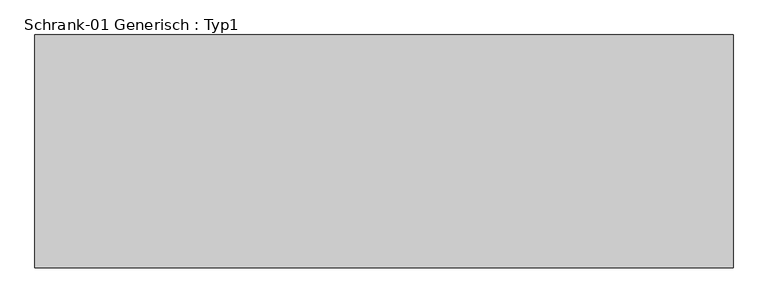
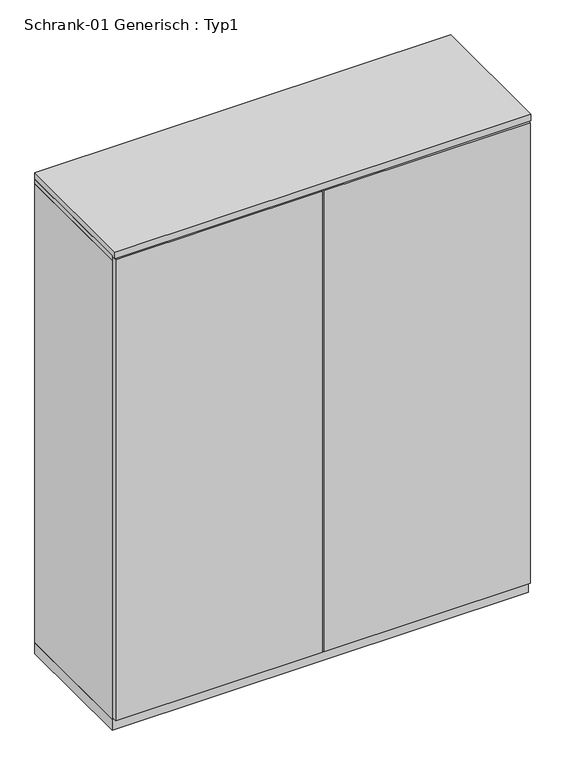
"""IFC4 building model written with IfcOpenShell, lengths in millimetres: furniture geometry, Schrank-01 Generisch : Typ1."""

import ifcopenshell
import ifcopenshell.guid

model = None  # the IFC model being written
_history = None  # IfcOwnerHistory: only IFC2X3 demands one
_inside = {}  # id of a spatial element -> (the spatial element, [elements in it])
_under = {}  # id of a project, library or spatial element -> (it, [spatial elements below it])
_declared = {}  # id of a project -> (the project, [libraries it declares])
_typed = {}  # id of a type object -> (the type object, [elements of that type])
_made_of = {}  # id of a material, layer set ... -> (it, [elements and type objects made of it])


def new_model(schema):
    """Start an empty IFC model of exactly this schema.

    Asked for "IFC4X3", IfcOpenShell would pick the latest addendum, in which some entities
    have other attributes; the version numbers below select the first issue.
    IFC2X3 requires an IfcOwnerHistory on every rooted entity: one is made here for all.
    """
    global model, _history
    if schema == "IFC4X3":
        model = ifcopenshell.file(schema_version=(4, 3, 0, 0))
    else:
        model = ifcopenshell.file(schema=schema)
    _inside.clear()
    _under.clear()
    _declared.clear()
    _typed.clear()
    _made_of.clear()
    _history = None
    if model.schema == "IFC2X3":
        org = make("IfcOrganization", Name="unknown")
        user = make(
            "IfcPersonAndOrganization",
            ThePerson=make("IfcPerson", FamilyName="unknown"),
            TheOrganization=org,
        )
        app = make(
            "IfcApplication",
            ApplicationDeveloper=org,
            Version="unknown",
            ApplicationFullName="unknown",
            ApplicationIdentifier="unknown",
        )
        _history = make(
            "IfcOwnerHistory",
            OwningUser=user,
            OwningApplication=app,
            ChangeAction="ADDED",
            CreationDate=0,
        )
    return model


def make(cls, **values):
    """One entity of the class cls with the attributes given. An attribute that is None is left unset."""
    return model.create_entity(
        cls, **{name: value for name, value in values.items() if value is not None}
    )


def rooted(cls, **values):
    """An entity with a GlobalId (a new one), such as an element, a storey or a relation."""
    return make(cls, GlobalId=ifcopenshell.guid.new(), OwnerHistory=_history, **values)


def si_unit(unit_type, name, prefix=None):
    """IfcSIUnit, for example si_unit("LENGTHUNIT", "METRE", prefix="MILLI")."""
    return make("IfcSIUnit", UnitType=unit_type, Prefix=prefix, Name=name)


def assignment(units):
    """IfcUnitAssignment: the units of a project."""
    return None if units is None else make("IfcUnitAssignment", Units=units)


def point(xyz):
    """IfcCartesianPoint."""
    return None if xyz is None else make("IfcCartesianPoint", Coordinates=xyz)


def direction(xyz):
    """IfcDirection."""
    return None if xyz is None else make("IfcDirection", DirectionRatios=xyz)


def frame(location, z_axis=None, x_axis=None):
    """IfcAxis2Placement3D, a coordinate frame: its origin and axes. An axis left out is left unset."""
    return make(
        "IfcAxis2Placement3D",
        Location=point(location),
        Axis=direction(z_axis),
        RefDirection=direction(x_axis),
    )


def origin():
    """The frame at (0, 0, 0) with its axes left unset."""
    return frame((0.0, 0.0, 0.0))


def origin_with_axes():
    """The frame at (0, 0, 0) with the z axis (0, 0, 1) and the x axis (1, 0, 0) written out."""
    return frame((0.0, 0.0, 0.0), z_axis=(0.0, 0.0, 1.0), x_axis=(1.0, 0.0, 0.0))


def place(relative_to, where):
    """IfcLocalPlacement: puts the frame where relative to a parent placement (None: the world)."""
    return make(
        "IfcLocalPlacement", PlacementRelTo=relative_to, RelativePlacement=where
    )


def context(
    kind, dimensions, precision=None, world=None, true_north=None, identifier=None
):
    """IfcGeometricRepresentationContext, for example the 3D "Model" context."""
    return make(
        "IfcGeometricRepresentationContext",
        ContextIdentifier=identifier,
        ContextType=kind,
        CoordinateSpaceDimension=dimensions,
        Precision=precision,
        WorldCoordinateSystem=world,
        TrueNorth=true_north,
    )


def project(units=None, contexts=None):
    """IfcProject with its units and contexts."""
    return rooted(
        "IfcProject",
        Name="project",
        RepresentationContexts=contexts,
        UnitsInContext=assignment(units),
    )


def spatial(cls, under=None, at=None, **own):
    """A site, building, storey or space (cls), placed at a placement, below another one or the project."""
    s = rooted(cls, ObjectPlacement=at, **own)
    if under is not None:
        _under.setdefault(under.id(), (under, []))[1].append(s)
    return s


def polyline(points):
    """IfcPolyline through the points."""
    return make("IfcPolyline", Points=[point(p) for p in points])


def outline(outer, holes=None, kind="AREA"):
    """IfcArbitraryClosedProfileDef: a profile drawn as a closed curve; with holes, ...WithVoids."""
    if holes is None:
        return make("IfcArbitraryClosedProfileDef", ProfileType=kind, OuterCurve=outer)
    return make(
        "IfcArbitraryProfileDefWithVoids",
        ProfileType=kind,
        OuterCurve=outer,
        InnerCurves=holes,
    )


def extrude(swept, where, along, depth):
    """IfcExtrudedAreaSolid: the profile swept, set in the frame where, extruded along a direction by depth."""
    return make(
        "IfcExtrudedAreaSolid",
        SweptArea=swept,
        Position=where,
        ExtrudedDirection=direction(along),
        Depth=depth,
    )


def shape(context_of_items, identifier, shape_type, items):
    """IfcShapeRepresentation: the items that make up one representation, for example the "Body"."""
    return make(
        "IfcShapeRepresentation",
        ContextOfItems=context_of_items,
        RepresentationIdentifier=identifier,
        RepresentationType=shape_type,
        Items=items,
    )


def source(mapping_origin, context_of_items, identifier, shape_type, items):
    """IfcRepresentationMap: a shape defined once, which mapped items show again and again."""
    return make(
        "IfcRepresentationMap",
        MappingOrigin=mapping_origin,
        MappedRepresentation=shape(context_of_items, identifier, shape_type, items),
    )


def transform(
    local_origin,
    x_axis=None,
    y_axis=None,
    z_axis=None,
    scale=None,
    scale2=None,
    scale3=None,
    uniform=True,
):
    """IfcCartesianTransformationOperator3D, or its non-uniform kind. x_axis, y_axis, z_axis: its Axis1, 2, 3."""
    if uniform:
        return make(
            "IfcCartesianTransformationOperator3D",
            Axis1=direction(x_axis),
            Axis2=direction(y_axis),
            LocalOrigin=point(local_origin),
            Scale=scale,
            Axis3=direction(z_axis),
        )
    return make(
        "IfcCartesianTransformationOperator3DnonUniform",
        Axis1=direction(x_axis),
        Axis2=direction(y_axis),
        LocalOrigin=point(local_origin),
        Scale=scale,
        Axis3=direction(z_axis),
        Scale2=scale2,
        Scale3=scale3,
    )


def mapped(mapping_source, mapping_target):
    """IfcMappedItem: shows the shape of a source again, moved by a transform."""
    return make(
        "IfcMappedItem", MappingSource=mapping_source, MappingTarget=mapping_target
    )


def made_of(thing, what):
    """Note that an element or type object is made of a material, layer set ...; save() writes the relation."""
    if what is not None:
        _made_of.setdefault(what.id(), (what, []))[1].append(thing)
    return thing


def element(
    cls,
    number,
    at=None,
    inside=None,
    cuts=None,
    type_object=None,
    material=None,
    context=None,
    identifier="Body",
    shape_type=None,
    held_by="IfcProductDefinitionShape",
    body=None,
    shapes=None,
    **own,
):
    """One element of the class cls, such as IfcWall. Its Tag is "e" and its number.

    at: its placement. inside: the storey or other place that contains it. cuts: it is an
    opening in that element (IfcRelVoidsElement). A single representation is given by context,
    identifier, shape_type and body (its items); several are given by shapes. held_by: the class
    of the entity that holds the representations. save() writes the other relations.
    """
    e = rooted(cls, Tag="e%d" % number, ObjectPlacement=at, **own)
    if body is not None:
        shapes = [shape(context, identifier, shape_type, body)]
    if shapes is not None:
        e.Representation = make(held_by, Representations=shapes)
    if inside is not None:
        _inside.setdefault(inside.id(), (inside, []))[1].append(e)
    if cuts is not None:
        rooted(
            "IfcRelVoidsElement", RelatingBuildingElement=cuts, RelatedOpeningElement=e
        )
    if type_object is not None:
        _typed.setdefault(type_object.id(), (type_object, []))[1].append(e)
    return made_of(e, material)


def aggregate(whole, parts):
    """IfcRelAggregates: a whole, such as a stair, and the parts it consists of."""
    return rooted("IfcRelAggregates", RelatingObject=whole, RelatedObjects=parts)


def save(model, path):
    """Write the relations noted so far, then the file.

    IfcRelAggregates (storeys below a building ...), IfcRelContainedInSpatialStructure (elements
    in a storey), IfcRelDefinesByType, IfcRelAssociatesMaterial and IfcRelDeclares: one each for
    every whole, place, type object, material and project.
    """
    for whole, parts in _under.values():
        aggregate(whole, parts)
    for where, things in _inside.values():
        rooted(
            "IfcRelContainedInSpatialStructure",
            RelatedElements=things,
            RelatingStructure=where,
        )
    for kind, things in _typed.values():
        rooted("IfcRelDefinesByType", RelatedObjects=things, RelatingType=kind)
    for what, things in _made_of.values():
        rooted("IfcRelAssociatesMaterial", RelatedObjects=things, RelatingMaterial=what)
    for by, libraries in _declared.values():
        rooted("IfcRelDeclares", RelatingContext=by, RelatedDefinitions=libraries)
    model.write(path)


def schrank_01_generisch_typ1_06658475(model_context):
    return source(origin(), model_context, "Body", "SweptSolid", [
        extrude(outline(polyline([(897.0, -278.0), (897.0, -300.0), (3.0, -300.0), (3.0, -278.0), (897.0, -278.0)])), frame((0.0, 0.0, 56.0), z_axis=(0.0, 0.0, 1.0), x_axis=(1.0, 0.0, 0.0)), (0.0, 0.0, 1.0), 2108.0),
        extrude(outline(polyline([(880.0, 300.0), (880.0, 290.0), (20.0, 290.0), (20.0, 300.0), (880.0, 300.0)])), frame((0.0, 0.0, 50.0), z_axis=(0.0, 0.0, 1.0), x_axis=(1.0, 0.0, 0.0)), (0.0, 0.0, 1.0), 2100.0),
        extrude(outline(polyline([(900.0, 300.0), (900.0, -278.0), (0.0, -278.0), (0.0, 300.0), (900.0, 300.0)])), frame((0.0, 0.0, 2150.0), z_axis=(0.0, 0.0, 1.0), x_axis=(1.0, 0.0, 0.0)), (0.0, 0.0, 1.0), 20.0),
        extrude(outline(polyline([(880.0, 290.0), (880.0, -278.0), (20.0, -278.0), (20.0, 290.0), (880.0, 290.0)])), frame((0.0, 0.0, 50.0), z_axis=(0.0, 0.0, 1.0), x_axis=(1.0, 0.0, 0.0)), (0.0, 0.0, 1.0), 20.0),
        extrude(outline(polyline([(20.0, 300.0), (20.0, -278.0), (0.0, -278.0), (0.0, 300.0), (20.0, 300.0)])), frame((0.0, 0.0, 50.0), z_axis=(0.0, 0.0, 1.0), x_axis=(1.0, 0.0, 0.0)), (0.0, 0.0, 1.0), 2100.0),
        extrude(outline(polyline([(900.0, 300.0), (900.0, -278.0), (880.0, -278.0), (880.0, 300.0), (900.0, 300.0)])), frame((0.0, 0.0, 50.0), z_axis=(0.0, 0.0, 1.0), x_axis=(1.0, 0.0, 0.0)), (0.0, 0.0, 1.0), 2100.0),
        extrude(outline(polyline([(-3.0, -278.0), (-3.0, -300.0), (-897.0, -300.0), (-897.0, -278.0), (-3.0, -278.0)])), frame((0.0, 0.0, 56.0), z_axis=(0.0, 0.0, 1.0), x_axis=(1.0, 0.0, 0.0)), (0.0, 0.0, 1.0), 2108.0),
        extrude(outline(polyline([(-20.0, 300.0), (-20.0, 290.0), (-880.0, 290.0), (-880.0, 300.0), (-20.0, 300.0)])), frame((0.0, 0.0, 50.0), z_axis=(0.0, 0.0, 1.0), x_axis=(1.0, 0.0, 0.0)), (0.0, 0.0, 1.0), 2100.0),
        extrude(outline(polyline([(0.0, 300.0), (0.0, -278.0), (-900.0, -278.0), (-900.0, 300.0), (0.0, 300.0)])), frame((0.0, 0.0, 2150.0), z_axis=(0.0, 0.0, 1.0), x_axis=(1.0, 0.0, 0.0)), (0.0, 0.0, 1.0), 20.0),
        extrude(outline(polyline([(-20.0, 290.0), (-20.0, -278.0), (-880.0, -278.0), (-880.0, 290.0), (-20.0, 290.0)])), frame((0.0, 0.0, 50.0), z_axis=(0.0, 0.0, 1.0), x_axis=(1.0, 0.0, 0.0)), (0.0, 0.0, 1.0), 20.0),
        extrude(outline(polyline([(-880.0, 300.0), (-880.0, -278.0), (-900.0, -278.0), (-900.0, 300.0), (-880.0, 300.0)])), frame((0.0, 0.0, 50.0), z_axis=(0.0, 0.0, 1.0), x_axis=(1.0, 0.0, 0.0)), (0.0, 0.0, 1.0), 2100.0),
        extrude(outline(polyline([(0.0, 300.0), (0.0, -278.0), (-20.0, -278.0), (-20.0, 300.0), (0.0, 300.0)])), frame((0.0, 0.0, 50.0), z_axis=(0.0, 0.0, 1.0), x_axis=(1.0, 0.0, 0.0)), (0.0, 0.0, 1.0), 2100.0),
        extrude(outline(polyline([(900.0, 300.0), (900.0, -278.0), (-900.0, -278.0), (-900.0, 300.0), (900.0, 300.0)])), origin_with_axes(), (0.0, 0.0, 1.0), 50.0),
        extrude(outline(polyline([(900.0, 300.0), (900.0, -300.0), (-900.0, -300.0), (-900.0, 300.0), (900.0, 300.0)])), frame((0.0, 0.0, 2170.0), z_axis=(0.0, 0.0, 1.0), x_axis=(1.0, 0.0, 0.0)), (0.0, 0.0, 1.0), 30.0),
    ])


if __name__ == "__main__":
    model = new_model("IFC4")
    model_context = context("Model", 3, world=origin())
    ifc_project = project(units=[si_unit("LENGTHUNIT", "METRE", prefix="MILLI")], contexts=[model_context])
    site = spatial("IfcSite", under=ifc_project)
    building = spatial("IfcBuilding", under=site)
    placement = place(None, origin())
    schrank_01_generisch_typ1_shape = schrank_01_generisch_typ1_06658475(model_context)
    element("IfcFurniture", 1, ObjectType="Schrank-01 Generisch : Typ1", at=placement, inside=building, context=model_context, shape_type="MappedRepresentation", body=[
        mapped(schrank_01_generisch_typ1_shape, transform((0.0, 0.0, 0.0), x_axis=(1.0, 0.0, 0.0), y_axis=(0.0, 1.0, 0.0), z_axis=(0.0, 0.0, 1.0))),
    ])
    save(model, "model.ifc")
